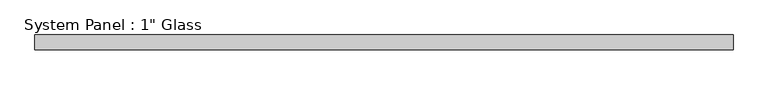
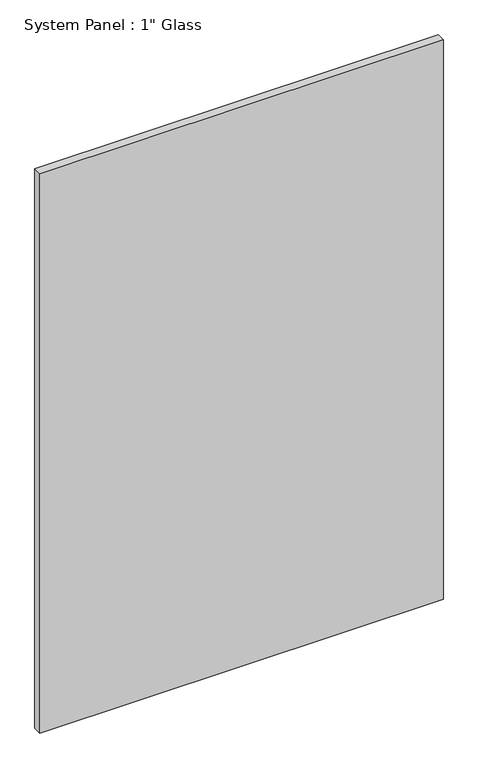
"""IFC4 building model written with IfcOpenShell, lengths in millimetres: plate geometry."""

import ifcopenshell
import ifcopenshell.guid

model = None  # the IFC model being written
_history = None  # IfcOwnerHistory: only IFC2X3 demands one
_inside = {}  # id of a spatial element -> (the spatial element, [elements in it])
_under = {}  # id of a project, library or spatial element -> (it, [spatial elements below it])
_declared = {}  # id of a project -> (the project, [libraries it declares])
_typed = {}  # id of a type object -> (the type object, [elements of that type])
_made_of = {}  # id of a material, layer set ... -> (it, [elements and type objects made of it])


def new_model(schema):
    """Start an empty IFC model of exactly this schema.

    Asked for "IFC4X3", IfcOpenShell would pick the latest addendum, in which some entities
    have other attributes; the version numbers below select the first issue.
    IFC2X3 requires an IfcOwnerHistory on every rooted entity: one is made here for all.
    """
    global model, _history
    if schema == "IFC4X3":
        model = ifcopenshell.file(schema_version=(4, 3, 0, 0))
    else:
        model = ifcopenshell.file(schema=schema)
    _inside.clear()
    _under.clear()
    _declared.clear()
    _typed.clear()
    _made_of.clear()
    _history = None
    if model.schema == "IFC2X3":
        org = make("IfcOrganization", Name="unknown")
        user = make(
            "IfcPersonAndOrganization",
            ThePerson=make("IfcPerson", FamilyName="unknown"),
            TheOrganization=org,
        )
        app = make(
            "IfcApplication",
            ApplicationDeveloper=org,
            Version="unknown",
            ApplicationFullName="unknown",
            ApplicationIdentifier="unknown",
        )
        _history = make(
            "IfcOwnerHistory",
            OwningUser=user,
            OwningApplication=app,
            ChangeAction="ADDED",
            CreationDate=0,
        )
    return model


def make(cls, **values):
    """One entity of the class cls with the attributes given. An attribute that is None is left unset."""
    return model.create_entity(
        cls, **{name: value for name, value in values.items() if value is not None}
    )


def rooted(cls, **values):
    """An entity with a GlobalId (a new one), such as an element, a storey or a relation."""
    return make(cls, GlobalId=ifcopenshell.guid.new(), OwnerHistory=_history, **values)


def si_unit(unit_type, name, prefix=None):
    """IfcSIUnit, for example si_unit("LENGTHUNIT", "METRE", prefix="MILLI")."""
    return make("IfcSIUnit", UnitType=unit_type, Prefix=prefix, Name=name)


def assignment(units):
    """IfcUnitAssignment: the units of a project."""
    return None if units is None else make("IfcUnitAssignment", Units=units)


def point(xyz):
    """IfcCartesianPoint."""
    return None if xyz is None else make("IfcCartesianPoint", Coordinates=xyz)


def direction(xyz):
    """IfcDirection."""
    return None if xyz is None else make("IfcDirection", DirectionRatios=xyz)


def frame(location, z_axis=None, x_axis=None):
    """IfcAxis2Placement3D, a coordinate frame: its origin and axes. An axis left out is left unset."""
    return make(
        "IfcAxis2Placement3D",
        Location=point(location),
        Axis=direction(z_axis),
        RefDirection=direction(x_axis),
    )


def origin():
    """The frame at (0, 0, 0) with its axes left unset."""
    return frame((0.0, 0.0, 0.0))


def origin_with_axes():
    """The frame at (0, 0, 0) with the z axis (0, 0, 1) and the x axis (1, 0, 0) written out."""
    return frame((0.0, 0.0, 0.0), z_axis=(0.0, 0.0, 1.0), x_axis=(1.0, 0.0, 0.0))


def place(relative_to, where):
    """IfcLocalPlacement: puts the frame where relative to a parent placement (None: the world)."""
    return make(
        "IfcLocalPlacement", PlacementRelTo=relative_to, RelativePlacement=where
    )


def context(
    kind, dimensions, precision=None, world=None, true_north=None, identifier=None
):
    """IfcGeometricRepresentationContext, for example the 3D "Model" context."""
    return make(
        "IfcGeometricRepresentationContext",
        ContextIdentifier=identifier,
        ContextType=kind,
        CoordinateSpaceDimension=dimensions,
        Precision=precision,
        WorldCoordinateSystem=world,
        TrueNorth=true_north,
    )


def project(units=None, contexts=None):
    """IfcProject with its units and contexts."""
    return rooted(
        "IfcProject",
        Name="project",
        RepresentationContexts=contexts,
        UnitsInContext=assignment(units),
    )


def spatial(cls, under=None, at=None, **own):
    """A site, building, storey or space (cls), placed at a placement, below another one or the project."""
    s = rooted(cls, ObjectPlacement=at, **own)
    if under is not None:
        _under.setdefault(under.id(), (under, []))[1].append(s)
    return s


def polyline(points):
    """IfcPolyline through the points."""
    return make("IfcPolyline", Points=[point(p) for p in points])


def outline(outer, holes=None, kind="AREA"):
    """IfcArbitraryClosedProfileDef: a profile drawn as a closed curve; with holes, ...WithVoids."""
    if holes is None:
        return make("IfcArbitraryClosedProfileDef", ProfileType=kind, OuterCurve=outer)
    return make(
        "IfcArbitraryProfileDefWithVoids",
        ProfileType=kind,
        OuterCurve=outer,
        InnerCurves=holes,
    )


def extrude(swept, where, along, depth):
    """IfcExtrudedAreaSolid: the profile swept, set in the frame where, extruded along a direction by depth."""
    return make(
        "IfcExtrudedAreaSolid",
        SweptArea=swept,
        Position=where,
        ExtrudedDirection=direction(along),
        Depth=depth,
    )


def shape(context_of_items, identifier, shape_type, items):
    """IfcShapeRepresentation: the items that make up one representation, for example the "Body"."""
    return make(
        "IfcShapeRepresentation",
        ContextOfItems=context_of_items,
        RepresentationIdentifier=identifier,
        RepresentationType=shape_type,
        Items=items,
    )


def source(mapping_origin, context_of_items, identifier, shape_type, items):
    """IfcRepresentationMap: a shape defined once, which mapped items show again and again."""
    return make(
        "IfcRepresentationMap",
        MappingOrigin=mapping_origin,
        MappedRepresentation=shape(context_of_items, identifier, shape_type, items),
    )


def transform(
    local_origin,
    x_axis=None,
    y_axis=None,
    z_axis=None,
    scale=None,
    scale2=None,
    scale3=None,
    uniform=True,
):
    """IfcCartesianTransformationOperator3D, or its non-uniform kind. x_axis, y_axis, z_axis: its Axis1, 2, 3."""
    if uniform:
        return make(
            "IfcCartesianTransformationOperator3D",
            Axis1=direction(x_axis),
            Axis2=direction(y_axis),
            LocalOrigin=point(local_origin),
            Scale=scale,
            Axis3=direction(z_axis),
        )
    return make(
        "IfcCartesianTransformationOperator3DnonUniform",
        Axis1=direction(x_axis),
        Axis2=direction(y_axis),
        LocalOrigin=point(local_origin),
        Scale=scale,
        Axis3=direction(z_axis),
        Scale2=scale2,
        Scale3=scale3,
    )


def mapped(mapping_source, mapping_target):
    """IfcMappedItem: shows the shape of a source again, moved by a transform."""
    return make(
        "IfcMappedItem", MappingSource=mapping_source, MappingTarget=mapping_target
    )


def made_of(thing, what):
    """Note that an element or type object is made of a material, layer set ...; save() writes the relation."""
    if what is not None:
        _made_of.setdefault(what.id(), (what, []))[1].append(thing)
    return thing


def element(
    cls,
    number,
    at=None,
    inside=None,
    cuts=None,
    type_object=None,
    material=None,
    context=None,
    identifier="Body",
    shape_type=None,
    held_by="IfcProductDefinitionShape",
    body=None,
    shapes=None,
    **own,
):
    """One element of the class cls, such as IfcWall. Its Tag is "e" and its number.

    at: its placement. inside: the storey or other place that contains it. cuts: it is an
    opening in that element (IfcRelVoidsElement). A single representation is given by context,
    identifier, shape_type and body (its items); several are given by shapes. held_by: the class
    of the entity that holds the representations. save() writes the other relations.
    """
    e = rooted(cls, Tag="e%d" % number, ObjectPlacement=at, **own)
    if body is not None:
        shapes = [shape(context, identifier, shape_type, body)]
    if shapes is not None:
        e.Representation = make(held_by, Representations=shapes)
    if inside is not None:
        _inside.setdefault(inside.id(), (inside, []))[1].append(e)
    if cuts is not None:
        rooted(
            "IfcRelVoidsElement", RelatingBuildingElement=cuts, RelatedOpeningElement=e
        )
    if type_object is not None:
        _typed.setdefault(type_object.id(), (type_object, []))[1].append(e)
    return made_of(e, material)


def aggregate(whole, parts):
    """IfcRelAggregates: a whole, such as a stair, and the parts it consists of."""
    return rooted("IfcRelAggregates", RelatingObject=whole, RelatedObjects=parts)


def save(model, path):
    """Write the relations noted so far, then the file.

    IfcRelAggregates (storeys below a building ...), IfcRelContainedInSpatialStructure (elements
    in a storey), IfcRelDefinesByType, IfcRelAssociatesMaterial and IfcRelDeclares: one each for
    every whole, place, type object, material and project.
    """
    for whole, parts in _under.values():
        aggregate(whole, parts)
    for where, things in _inside.values():
        rooted(
            "IfcRelContainedInSpatialStructure",
            RelatedElements=things,
            RelatingStructure=where,
        )
    for kind, things in _typed.values():
        rooted("IfcRelDefinesByType", RelatedObjects=things, RelatingType=kind)
    for what, things in _made_of.values():
        rooted("IfcRelAssociatesMaterial", RelatedObjects=things, RelatingMaterial=what)
    for by, libraries in _declared.values():
        rooted("IfcRelDeclares", RelatingContext=by, RelatedDefinitions=libraries)
    model.write(path)


def plate_ae188e0f(model_context):
    return source(origin(), model_context, "Body", "SweptSolid", [
        extrude(outline(polyline([(593.6250723, -12.7), (-593.6250723, -12.7), (-593.6250723, 12.7), (593.6250723, 12.7), (593.6250723, -12.7)])), origin_with_axes(), (0.0, 0.0, 1.0), 1739.9),
    ])


if __name__ == "__main__":
    model = new_model("IFC4")
    model_context = context("Model", 3, world=origin())
    ifc_project = project(units=[si_unit("LENGTHUNIT", "METRE", prefix="MILLI")], contexts=[model_context])
    site = spatial("IfcSite", under=ifc_project)
    building = spatial("IfcBuilding", under=site)
    placement = place(None, origin())
    plate_shape = plate_ae188e0f(model_context)
    element("IfcPlate", 1, ObjectType="System Panel : 1\" Glass", at=placement, inside=building, context=model_context, shape_type="MappedRepresentation", body=[
        mapped(plate_shape, transform((0.0, 0.0, 0.0), x_axis=(1.0, 0.0, 0.0), y_axis=(0.0, 1.0, 0.0), z_axis=(0.0, 0.0, 1.0))),
    ])
    save(model, "model.ifc")
